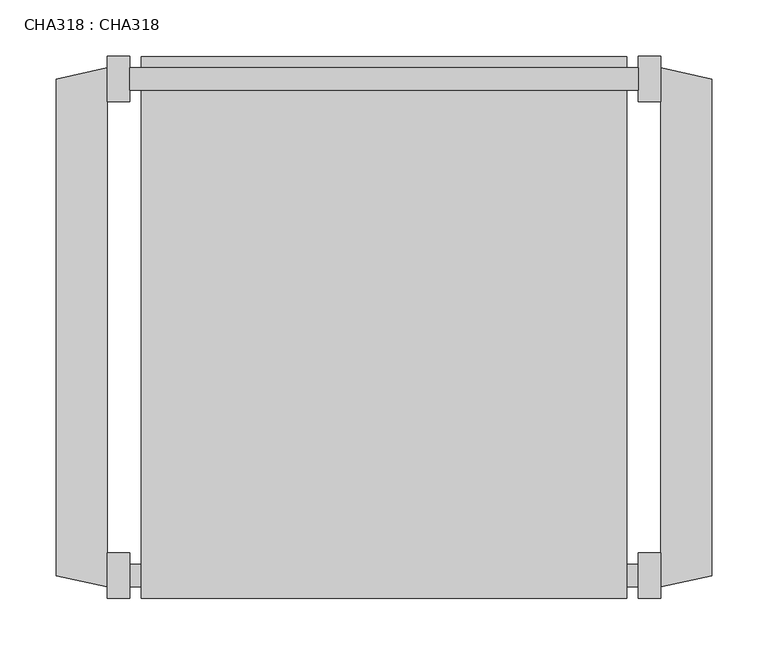
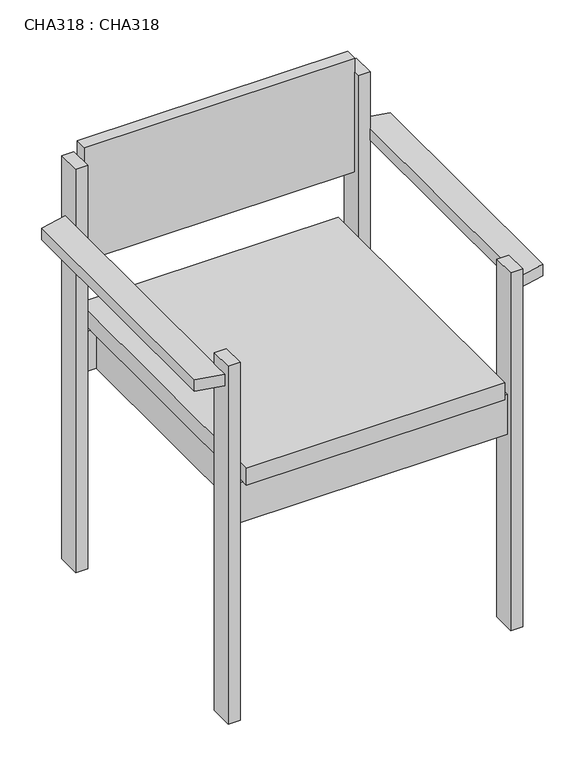
"""IFC4 building model written with IfcOpenShell, lengths in millimetres: proxy geometry, CHA318 : CHA318."""

from ifc_helpers import new_model, si_unit, point, frame, frame_2d, origin, place, context, project, spatial, polyline, circle_curve, trimmed, segment, composite_curve, outline, extrude, faceted_brep, source, transform, mapped, element, save


def cha318_cha318_a6828ad8(model_context):
    return source(origin(), model_context, "Body", "SolidModel", [
        faceted_brep([(514.9999967, -470.0000181, 609.9999756), (560.0000115, -460.0000108, 609.9999756), (560.0000115, -20.0000011, 609.9999756), (514.9999967, -10.0000005, 609.9999756), (514.9999967, -40.0000021, 609.9999756), (514.9999967, -439.9999961, 609.9999756), (514.9999967, -10.0000005, 589.9999972), (560.0000115, -20.0000011, 589.9999972), (560.0000115, -460.0000108, 589.9999972), (514.9999967, -470.0000181, 589.9999972), (514.9999967, -439.9999961, 589.9999972), (514.9999967, -40.0000021, 589.9999972), (514.9999967, -439.9999961, 629.9999903), (494.999982, -439.9999961, 629.9999903), (494.999982, -479.9999891, 629.9999903), (514.9999967, -479.9999891, 629.9999903), (514.9999967, -439.9999961, 0.0), (514.9999967, -479.9999891, 0.0), (494.999982, -479.9999891, 0.0), (494.999982, -439.9999961, 0.0), (494.999982, -450.0000034, 410.0000104), (494.999982, -470.0000181, 410.0000104), (494.999982, -470.0000181, 339.9999953), (494.999982, -450.0000034, 339.9999953), (494.999982, -40.0000021, 709.9999763), (494.999982, -40.0000021, 0.0), (514.9999967, -40.0000021, 0.0), (514.9999967, -40.0000021, 709.9999763), (494.999982, 0.0, 709.9999763), (514.9999967, 0.0, 709.9999763), (514.9999967, 0.0, 0.0), (494.999982, 0.0, 0.0), (494.999982, -10.0000005, 410.0000104), (494.999982, -29.9999993, 410.0000104), (494.999982, -29.9999993, 339.9999953), (494.999982, -10.0000005, 339.9999953), (45.0000013, -470.0000181, 410.0000104), (475.0000036, -450.0000034, 410.0000104), (475.0000036, -29.9999993, 410.0000104), (45.0000013, -10.0000005, 410.0000104), (45.0000013, -29.9999993, 410.0000104), (64.9999978, -29.9999993, 410.0000104), (64.9999978, -450.0000034, 410.0000104), (45.0000013, -450.0000034, 410.0000104), (454.9999889, -450.0000034, 410.0000104), (84.9999988, -450.0000034, 410.0000104), (84.9999988, -29.9999993, 410.0000104), (454.9999889, -29.9999993, 410.0000104), (45.0000013, -470.0000181, 339.9999953), (45.0000013, -450.0000034, 339.9999953), (64.9999978, -450.0000034, 339.9999953), (64.9999978, -29.9999993, 339.9999953), (45.0000013, -29.9999993, 339.9999953), (45.0000013, -10.0000005, 339.9999953), (475.0000036, -29.9999993, 339.9999953), (475.0000036, -450.0000034, 339.9999953), (454.9999889, -29.9999993, 339.9999953), (84.9999988, -29.9999993, 339.9999953), (84.9999988, -450.0000034, 339.9999953), (454.9999889, -450.0000034, 339.9999953), (45.0000013, -479.9999891, 629.9999903), (45.0000013, -479.9999891, 0.0), (45.0000013, -439.9999961, 0.0), (45.0000013, -439.9999961, 629.9999903), (25.0000002, -479.9999891, 629.9999903), (25.0000002, -439.9999961, 629.9999903), (25.0000002, -439.9999961, 609.9999756), (25.0000002, -470.0000181, 609.9999756), (25.0000002, -470.0000181, 589.9999972), (25.0000002, -439.9999961, 589.9999972), (25.0000002, -439.9999961, 0.0), (25.0000002, -479.9999891, 0.0), (-20.0000011, -460.0000108, 609.9999756), (25.0000002, -40.0000021, 609.9999756), (25.0000002, -10.0000005, 609.9999756), (-20.0000011, -20.0000011, 609.9999756), (-20.0000011, -460.0000108, 589.9999972), (-20.0000011, -20.0000011, 589.9999972), (25.0000002, -10.0000005, 589.9999972), (25.0000002, -40.0000021, 589.9999972), (45.0000013, 0.0, 709.9999763), (25.0000002, 0.0, 709.9999763), (25.0000002, -40.0000021, 709.9999763), (45.0000013, -40.0000021, 709.9999763), (45.0000013, 0.0, 0.0), (45.0000013, -40.0000021, 0.0), (25.0000002, -40.0000021, 0.0), (25.0000002, 0.0, 0.0)], [[[0, 1, 2, 3, 4, 5]], [[6, 7, 8, 9, 10, 11]], [[10, 5, 4, 11]], [[1, 0, 9, 8]], [[2, 1, 8, 7]], [[3, 2, 7, 6]], [[12, 13, 14, 15]], [[16, 17, 18, 19]], [[13, 12, 5, 10, 16, 19]], [[14, 13, 19, 18], [20, 21, 22, 23]], [[15, 14, 18, 17]], [[12, 15, 17, 16, 10, 9, 0, 5]], [[24, 25, 26, 11, 4, 27]], [[28, 29, 30, 31]], [[25, 24, 28, 31], [32, 33, 34, 35]], [[26, 25, 31, 30]], [[30, 29, 27, 4, 3, 6, 11, 26]], [[24, 27, 29, 28]], [[36, 21, 20, 37, 38, 33, 32, 39, 40, 41, 42, 43], [44, 45, 46, 47]], [[22, 48, 49, 50, 51, 52, 53, 35, 34, 54, 55, 23], [56, 57, 58, 59]], [[21, 36, 48, 22]], [[20, 23, 55, 37]], [[44, 59, 58, 45]], [[49, 43, 42, 50]], [[44, 47, 56, 59]], [[38, 37, 55, 54]], [[60, 61, 62, 63], [36, 43, 49, 48]], [[64, 65, 66, 67, 68, 69, 70, 71]], [[61, 60, 64, 71]], [[62, 61, 71, 70]], [[63, 62, 70, 69, 66, 65]], [[60, 63, 65, 64]], [[72, 67, 66, 73, 74, 75]], [[76, 77, 78, 79, 69, 68]], [[67, 72, 76, 68]], [[66, 69, 79, 73]], [[75, 74, 78, 77]], [[72, 75, 77, 76]], [[80, 81, 82, 83]], [[84, 85, 86, 87]], [[81, 80, 84, 87]], [[82, 81, 87, 86, 79, 78, 74, 73]], [[83, 82, 73, 79, 86, 85]], [[80, 83, 85, 84], [40, 39, 53, 52]], [[33, 38, 54, 34]], [[56, 47, 46, 57]], [[40, 52, 51, 41]], [[39, 32, 35, 53]], [[42, 41, 51, 50]], [[46, 45, 58, 57]]]),
        extrude(outline(composite_curve([segment(polyline([(494.999982, -10.0000005), (494.999982, -29.9999993)]), True, "CONTINUOUS"), segment(trimmed(circle_curve(frame_2d((269.9999916, -2556.2502239)), 2536.2502228), [point((494.999982, -29.9999993))], [point((45.0000013, -29.9999993))], True, "CARTESIAN"), True, "CONTINUOUS"), segment(polyline([(45.0000013, -29.9999993), (45.0000013, -10.0000005)]), True, "CONTINUOUS"), segment(trimmed(circle_curve(frame_2d((269.9999916, -2536.2496491)), 2536.2496491), [point((45.0000013, -10.0000005))], [point((494.999982, -10.0000005))], False, "CARTESIAN"), True, "CONTINUOUS")], self_intersect=False)), frame((0.0, 0.0, 535.0000113), z_axis=(0.0, 0.0, 1.0), x_axis=(1.0, 0.0, 0.0)), (0.0, 0.0, 1.0), 199.9999652),
        extrude(outline(polyline([(485.000011, -479.9999891), (54.9999995, -479.9999891), (54.9999995, 0.0), (485.000011, 0.0), (485.000011, -479.9999891)])), frame((0.0, 0.0, 410.0000104), z_axis=(0.0, 0.0, 1.0), x_axis=(1.0, 0.0, 0.0)), (0.0, 0.0, 1.0), 29.9999857),
    ])


if __name__ == "__main__":
    model = new_model("IFC4")
    model_context = context("Model", 3, world=origin())
    ifc_project = project(units=[si_unit("LENGTHUNIT", "METRE", prefix="MILLI")], contexts=[model_context])
    site = spatial("IfcSite", under=ifc_project)
    building = spatial("IfcBuilding", under=site)
    placement = place(None, origin())
    cha318_cha318_shape = cha318_cha318_a6828ad8(model_context)
    element("IfcBuildingElementProxy", 1, Name="CHA318 : CHA318", ObjectType="CHA318 : CHA318", at=placement, inside=building, context=model_context, shape_type="MappedRepresentation", body=[
        mapped(cha318_cha318_shape, transform((0.0, 0.0, 0.0), x_axis=(1.0, 0.0, 0.0), y_axis=(0.0, 1.0, 0.0), z_axis=(0.0, 0.0, 1.0))),
    ])
    save(model, "model.ifc")
